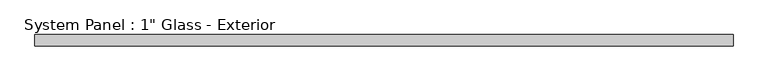
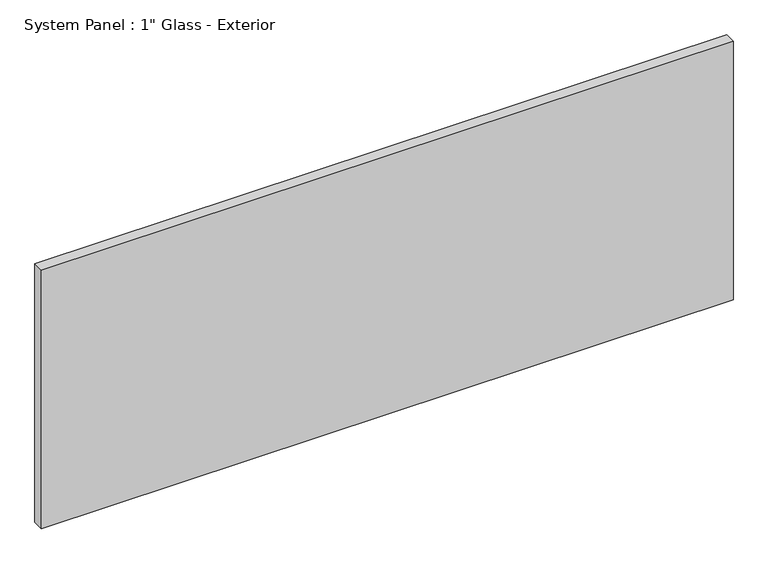
"""IFC4 building model written with IfcOpenShell, lengths in millimetres: plate geometry."""

from ifc_helpers import new_model, si_unit, origin, origin_with_axes, place, context, project, spatial, polyline, outline, extrude, source, transform, mapped, element, save


def plate_37bc0c77(model_context):
    return source(origin(), model_context, "Body", "SweptSolid", [
        extrude(outline(polyline([(771.4732543, 0.0), (-771.4732543, 0.0), (-771.4732543, 25.4), (771.4732543, 25.4), (771.4732543, 0.0)])), origin_with_axes(), (0.0, 0.0, 1.0), 609.6),
    ])


if __name__ == "__main__":
    model = new_model("IFC4")
    model_context = context("Model", 3, world=origin())
    ifc_project = project(units=[si_unit("LENGTHUNIT", "METRE", prefix="MILLI")], contexts=[model_context])
    site = spatial("IfcSite", under=ifc_project)
    building = spatial("IfcBuilding", under=site)
    placement = place(None, origin())
    plate_shape = plate_37bc0c77(model_context)
    element("IfcPlate", 1, ObjectType="System Panel : 1\" Glass - Exterior", at=placement, inside=building, context=model_context, shape_type="MappedRepresentation", body=[
        mapped(plate_shape, transform((0.0, 0.0, 0.0), x_axis=(1.0, 0.0, 0.0), y_axis=(0.0, 1.0, 0.0), z_axis=(0.0, 0.0, 1.0))),
    ])
    save(model, "model.ifc")
